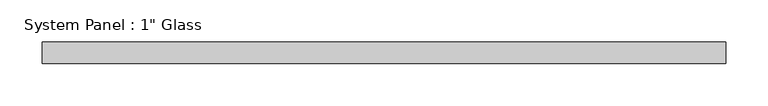
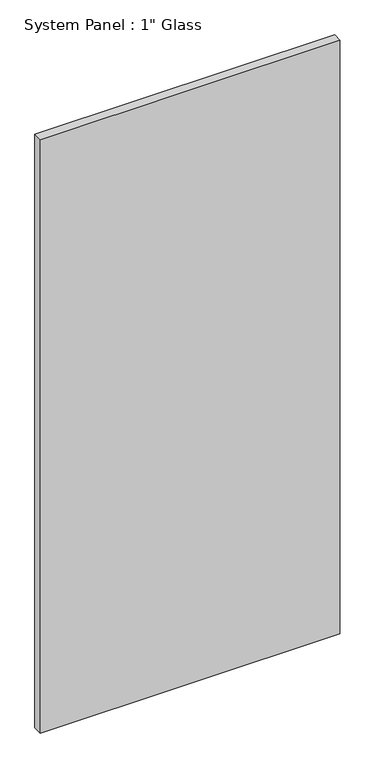
"""IFC4 building model written with IfcOpenShell, lengths in millimetres: plate geometry."""

from ifc_helpers import new_model, si_unit, origin, origin_with_axes, place, context, project, spatial, polyline, outline, extrude, source, transform, mapped, element, save


def plate_ca002a40(model_context):
    return source(origin(), model_context, "Body", "SweptSolid", [
        extrude(outline(polyline([(404.8125, -12.7), (-404.8125, -12.7), (-404.8125, 12.7), (404.8125, 12.7), (404.8125, -12.7)])), origin_with_axes(), (0.0, 0.0, 1.0), 1695.45),
    ])


if __name__ == "__main__":
    model = new_model("IFC4")
    model_context = context("Model", 3, world=origin())
    ifc_project = project(units=[si_unit("LENGTHUNIT", "METRE", prefix="MILLI")], contexts=[model_context])
    site = spatial("IfcSite", under=ifc_project)
    building = spatial("IfcBuilding", under=site)
    placement = place(None, origin())
    plate_shape = plate_ca002a40(model_context)
    element("IfcPlate", 1, ObjectType="System Panel : 1\" Glass", at=placement, inside=building, context=model_context, shape_type="MappedRepresentation", body=[
        mapped(plate_shape, transform((0.0, 0.0, 0.0), x_axis=(1.0, 0.0, 0.0), y_axis=(0.0, 1.0, 0.0), z_axis=(0.0, 0.0, 1.0))),
    ])
    save(model, "model.ifc")
